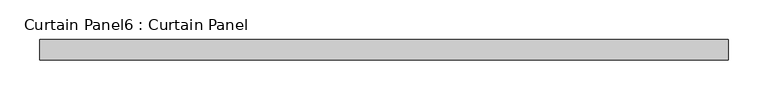
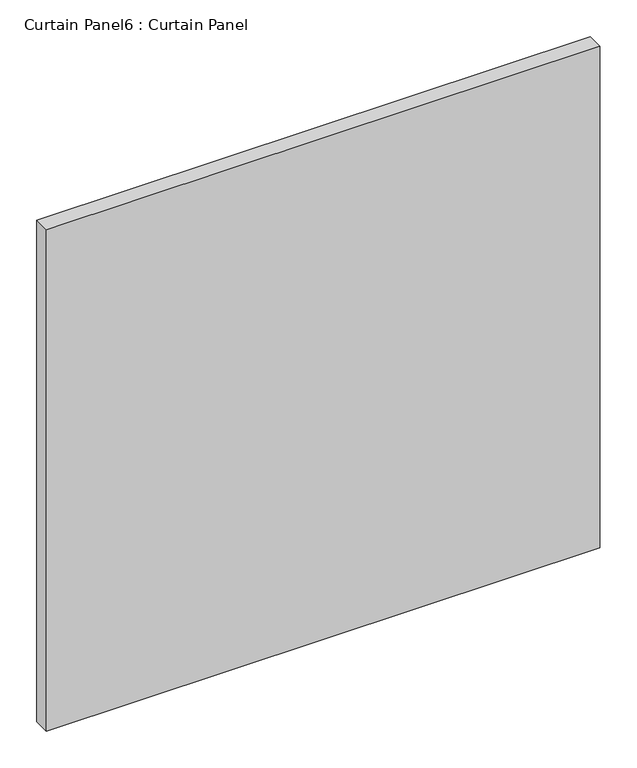
"""IFC4 building model written with IfcOpenShell, lengths in millimetres: plate geometry, Curtain Panel6 : Curtain Panel."""

from ifc_helpers import new_model, si_unit, frame, origin, place, context, project, spatial, polyline, outline, extrude, source, transform, mapped, element, save


def curtain_panel6_curtain_panel_9bc118a6(model_context):
    return source(origin(), model_context, "Body", "SweptSolid", [
        extrude(outline(polyline([(-18342.2017077, 2096.4441321), (-19205.8202766, 2096.4441321), (-19205.8202766, 2121.8441321), (-18342.2017077, 2121.8441321), (-18342.2017077, 2096.4441321)])), frame((0.0, 0.0, -626.0104492), z_axis=(0.0, 0.0, 1.0), x_axis=(1.0, 0.0, 0.0)), (0.0, 0.0, 1.0), 827.6977169),
    ])


if __name__ == "__main__":
    model = new_model("IFC4")
    model_context = context("Model", 3, world=origin())
    ifc_project = project(units=[si_unit("LENGTHUNIT", "METRE", prefix="MILLI")], contexts=[model_context])
    site = spatial("IfcSite", under=ifc_project)
    building = spatial("IfcBuilding", under=site)
    placement = place(None, origin())
    curtain_panel6_curtain_panel_shape = curtain_panel6_curtain_panel_9bc118a6(model_context)
    element("IfcPlate", 1, ObjectType="Curtain Panel6 : Curtain Panel", at=placement, inside=building, context=model_context, shape_type="MappedRepresentation", body=[
        mapped(curtain_panel6_curtain_panel_shape, transform((0.0, 0.0, 0.0), x_axis=(1.0, 0.0, 0.0), y_axis=(0.0, 1.0, 0.0), z_axis=(0.0, 0.0, 1.0))),
    ])
    save(model, "model.ifc")
